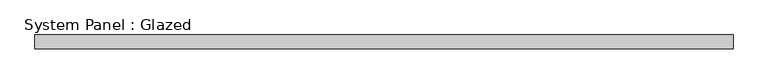
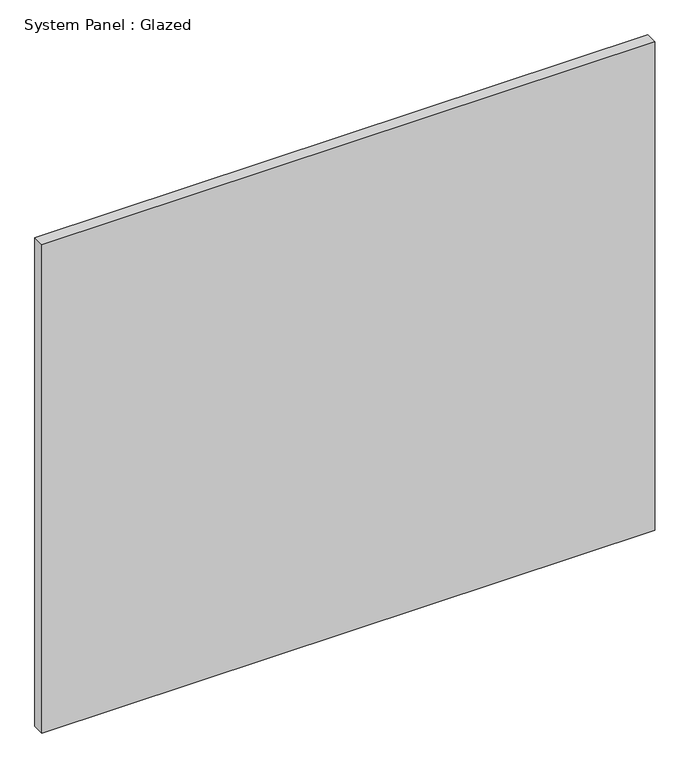
"""IFC4 building model written with IfcOpenShell, lengths in millimetres: plate geometry, System Panel : Glazed."""

from ifc_helpers import new_model, si_unit, origin, origin_with_axes, place, context, project, spatial, polyline, outline, extrude, source, transform, mapped, element, save


def system_panel_glazed_31b3bd79(model_context):
    return source(origin(), model_context, "Body", "SweptSolid", [
        extrude(outline(polyline([(635.0, 24.5), (-635.0, 24.5), (-635.0, 49.5), (635.0, 49.5), (635.0, 24.5)])), origin_with_axes(), (0.0, 0.0, 1.0), 1069.3619882),
    ])


if __name__ == "__main__":
    model = new_model("IFC4")
    model_context = context("Model", 3, world=origin())
    ifc_project = project(units=[si_unit("LENGTHUNIT", "METRE", prefix="MILLI")], contexts=[model_context])
    site = spatial("IfcSite", under=ifc_project)
    building = spatial("IfcBuilding", under=site)
    placement = place(None, origin())
    system_panel_glazed_shape = system_panel_glazed_31b3bd79(model_context)
    element("IfcPlate", 1, ObjectType="System Panel : Glazed", at=placement, inside=building, context=model_context, shape_type="MappedRepresentation", body=[
        mapped(system_panel_glazed_shape, transform((0.0, 0.0, 0.0), x_axis=(1.0, 0.0, 0.0), y_axis=(0.0, 1.0, 0.0), z_axis=(0.0, 0.0, 1.0))),
    ])
    save(model, "model.ifc")
